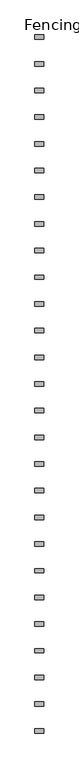
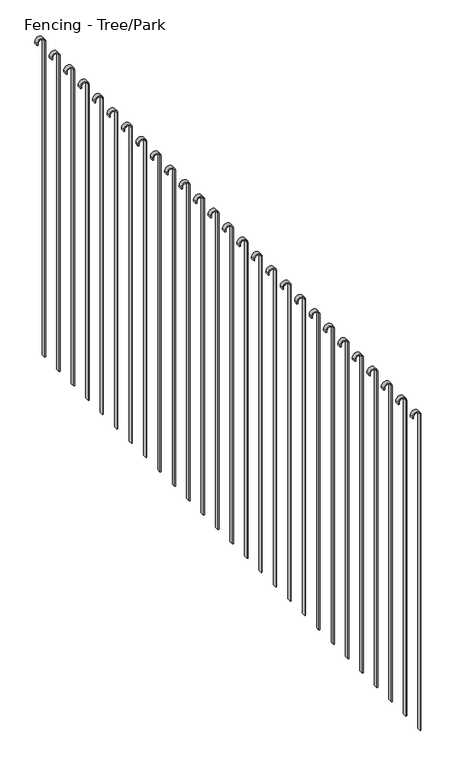
"""IFC4 building model written with IfcOpenShell, lengths in millimetres: railing geometry, Fencing - Tree/Park."""

from ifc_helpers import new_model, si_unit, point, frame, frame_2d, origin, place, context, project, spatial, polyline, circle_curve, trimmed, segment, composite_curve, outline, extrude, source, transform, mapped, element, save


def fencing_tree_park_d1533a9e(model_context):
    return source(origin(), model_context, "Body", "SweptSolid", [
        extrude(outline(composite_curve([segment(trimmed(circle_curve(frame_2d((1950.0, 5228.4077408)), 25.0), [point((1950.0, 5253.4077408))], [point((1950.0, 5203.4077408))], False, "CARTESIAN"), True, "CONTINUOUS"), segment(polyline([(1950.0, 5203.4077408), (1940.0, 5203.4077408), (1940.0, 5208.4077408), (1950.0, 5208.4077408)]), True, "CONTINUOUS"), segment(trimmed(circle_curve(frame_2d((1950.0, 5228.4077408)), 20.0), [point((1950.0, 5208.4077408))], [point((1950.0, 5248.4077408))], True, "CARTESIAN"), True, "CONTINUOUS"), segment(polyline([(1950.0, 5248.4077408), (-50.0, 5248.4077408), (-50.0, 5253.4077408), (1950.0, 5253.4077408)]), True, "CONTINUOUS")], self_intersect=False)), frame((0.0, 10276.2740332, 0.0), z_axis=(0.0, 1.0, 0.0), x_axis=(0.0, 0.0, 1.0)), (0.0, 0.0, 1.0), 25.0),
        extrude(outline(composite_curve([segment(trimmed(circle_curve(frame_2d((1950.0, 5228.4077408)), 25.0), [point((1950.0, 5253.4077408))], [point((1950.0, 5203.4077408))], False, "CARTESIAN"), True, "CONTINUOUS"), segment(polyline([(1950.0, 5203.4077408), (1940.0, 5203.4077408), (1940.0, 5208.4077408), (1950.0, 5208.4077408)]), True, "CONTINUOUS"), segment(trimmed(circle_curve(frame_2d((1950.0, 5228.4077408)), 20.0), [point((1950.0, 5208.4077408))], [point((1950.0, 5248.4077408))], True, "CARTESIAN"), True, "CONTINUOUS"), segment(polyline([(1950.0, 5248.4077408), (-50.0, 5248.4077408), (-50.0, 5253.4077408), (1950.0, 5253.4077408)]), True, "CONTINUOUS")], self_intersect=False)), frame((0.0, 10126.2740332, 0.0), z_axis=(0.0, 1.0, 0.0), x_axis=(0.0, 0.0, 1.0)), (0.0, 0.0, 1.0), 25.0),
        extrude(outline(composite_curve([segment(trimmed(circle_curve(frame_2d((1950.0, 5228.4077408)), 25.0), [point((1950.0, 5253.4077408))], [point((1950.0, 5203.4077408))], False, "CARTESIAN"), True, "CONTINUOUS"), segment(polyline([(1950.0, 5203.4077408), (1940.0, 5203.4077408), (1940.0, 5208.4077408), (1950.0, 5208.4077408)]), True, "CONTINUOUS"), segment(trimmed(circle_curve(frame_2d((1950.0, 5228.4077408)), 20.0), [point((1950.0, 5208.4077408))], [point((1950.0, 5248.4077408))], True, "CARTESIAN"), True, "CONTINUOUS"), segment(polyline([(1950.0, 5248.4077408), (-50.0, 5248.4077408), (-50.0, 5253.4077408), (1950.0, 5253.4077408)]), True, "CONTINUOUS")], self_intersect=False)), frame((0.0, 9976.2740332, 0.0), z_axis=(0.0, 1.0, 0.0), x_axis=(0.0, 0.0, 1.0)), (0.0, 0.0, 1.0), 25.0),
        extrude(outline(composite_curve([segment(trimmed(circle_curve(frame_2d((1950.0, 5228.4077408)), 25.0), [point((1950.0, 5253.4077408))], [point((1950.0, 5203.4077408))], False, "CARTESIAN"), True, "CONTINUOUS"), segment(polyline([(1950.0, 5203.4077408), (1940.0, 5203.4077408), (1940.0, 5208.4077408), (1950.0, 5208.4077408)]), True, "CONTINUOUS"), segment(trimmed(circle_curve(frame_2d((1950.0, 5228.4077408)), 20.0), [point((1950.0, 5208.4077408))], [point((1950.0, 5248.4077408))], True, "CARTESIAN"), True, "CONTINUOUS"), segment(polyline([(1950.0, 5248.4077408), (-50.0, 5248.4077408), (-50.0, 5253.4077408), (1950.0, 5253.4077408)]), True, "CONTINUOUS")], self_intersect=False)), frame((0.0, 9826.2740332, 0.0), z_axis=(0.0, 1.0, 0.0), x_axis=(0.0, 0.0, 1.0)), (0.0, 0.0, 1.0), 25.0),
        extrude(outline(composite_curve([segment(trimmed(circle_curve(frame_2d((1950.0, 5228.4077408)), 25.0), [point((1950.0, 5253.4077408))], [point((1950.0, 5203.4077408))], False, "CARTESIAN"), True, "CONTINUOUS"), segment(polyline([(1950.0, 5203.4077408), (1940.0, 5203.4077408), (1940.0, 5208.4077408), (1950.0, 5208.4077408)]), True, "CONTINUOUS"), segment(trimmed(circle_curve(frame_2d((1950.0, 5228.4077408)), 20.0), [point((1950.0, 5208.4077408))], [point((1950.0, 5248.4077408))], True, "CARTESIAN"), True, "CONTINUOUS"), segment(polyline([(1950.0, 5248.4077408), (-50.0, 5248.4077408), (-50.0, 5253.4077408), (1950.0, 5253.4077408)]), True, "CONTINUOUS")], self_intersect=False)), frame((0.0, 9676.2740332, 0.0), z_axis=(0.0, 1.0, 0.0), x_axis=(0.0, 0.0, 1.0)), (0.0, 0.0, 1.0), 25.0),
        extrude(outline(composite_curve([segment(trimmed(circle_curve(frame_2d((1950.0, 5228.4077408)), 25.0), [point((1950.0, 5253.4077408))], [point((1950.0, 5203.4077408))], False, "CARTESIAN"), True, "CONTINUOUS"), segment(polyline([(1950.0, 5203.4077408), (1940.0, 5203.4077408), (1940.0, 5208.4077408), (1950.0, 5208.4077408)]), True, "CONTINUOUS"), segment(trimmed(circle_curve(frame_2d((1950.0, 5228.4077408)), 20.0), [point((1950.0, 5208.4077408))], [point((1950.0, 5248.4077408))], True, "CARTESIAN"), True, "CONTINUOUS"), segment(polyline([(1950.0, 5248.4077408), (-50.0, 5248.4077408), (-50.0, 5253.4077408), (1950.0, 5253.4077408)]), True, "CONTINUOUS")], self_intersect=False)), frame((0.0, 9526.2740332, 0.0), z_axis=(0.0, 1.0, 0.0), x_axis=(0.0, 0.0, 1.0)), (0.0, 0.0, 1.0), 25.0),
        extrude(outline(composite_curve([segment(trimmed(circle_curve(frame_2d((1950.0, 5228.4077408)), 25.0), [point((1950.0, 5253.4077408))], [point((1950.0, 5203.4077408))], False, "CARTESIAN"), True, "CONTINUOUS"), segment(polyline([(1950.0, 5203.4077408), (1940.0, 5203.4077408), (1940.0, 5208.4077408), (1950.0, 5208.4077408)]), True, "CONTINUOUS"), segment(trimmed(circle_curve(frame_2d((1950.0, 5228.4077408)), 20.0), [point((1950.0, 5208.4077408))], [point((1950.0, 5248.4077408))], True, "CARTESIAN"), True, "CONTINUOUS"), segment(polyline([(1950.0, 5248.4077408), (-50.0, 5248.4077408), (-50.0, 5253.4077408), (1950.0, 5253.4077408)]), True, "CONTINUOUS")], self_intersect=False)), frame((0.0, 9376.2740332, 0.0), z_axis=(0.0, 1.0, 0.0), x_axis=(0.0, 0.0, 1.0)), (0.0, 0.0, 1.0), 25.0),
        extrude(outline(composite_curve([segment(trimmed(circle_curve(frame_2d((1950.0, 5228.4077408)), 25.0), [point((1950.0, 5253.4077408))], [point((1950.0, 5203.4077408))], False, "CARTESIAN"), True, "CONTINUOUS"), segment(polyline([(1950.0, 5203.4077408), (1940.0, 5203.4077408), (1940.0, 5208.4077408), (1950.0, 5208.4077408)]), True, "CONTINUOUS"), segment(trimmed(circle_curve(frame_2d((1950.0, 5228.4077408)), 20.0), [point((1950.0, 5208.4077408))], [point((1950.0, 5248.4077408))], True, "CARTESIAN"), True, "CONTINUOUS"), segment(polyline([(1950.0, 5248.4077408), (-50.0, 5248.4077408), (-50.0, 5253.4077408), (1950.0, 5253.4077408)]), True, "CONTINUOUS")], self_intersect=False)), frame((0.0, 9226.2740332, 0.0), z_axis=(0.0, 1.0, 0.0), x_axis=(0.0, 0.0, 1.0)), (0.0, 0.0, 1.0), 25.0),
        extrude(outline(composite_curve([segment(trimmed(circle_curve(frame_2d((1950.0, 5228.4077408)), 25.0), [point((1950.0, 5253.4077408))], [point((1950.0, 5203.4077408))], False, "CARTESIAN"), True, "CONTINUOUS"), segment(polyline([(1950.0, 5203.4077408), (1940.0, 5203.4077408), (1940.0, 5208.4077408), (1950.0, 5208.4077408)]), True, "CONTINUOUS"), segment(trimmed(circle_curve(frame_2d((1950.0, 5228.4077408)), 20.0), [point((1950.0, 5208.4077408))], [point((1950.0, 5248.4077408))], True, "CARTESIAN"), True, "CONTINUOUS"), segment(polyline([(1950.0, 5248.4077408), (-50.0, 5248.4077408), (-50.0, 5253.4077408), (1950.0, 5253.4077408)]), True, "CONTINUOUS")], self_intersect=False)), frame((0.0, 9076.2740332, 0.0), z_axis=(0.0, 1.0, 0.0), x_axis=(0.0, 0.0, 1.0)), (0.0, 0.0, 1.0), 25.0),
        extrude(outline(composite_curve([segment(trimmed(circle_curve(frame_2d((1950.0, 5228.4077408)), 25.0), [point((1950.0, 5253.4077408))], [point((1950.0, 5203.4077408))], False, "CARTESIAN"), True, "CONTINUOUS"), segment(polyline([(1950.0, 5203.4077408), (1940.0, 5203.4077408), (1940.0, 5208.4077408), (1950.0, 5208.4077408)]), True, "CONTINUOUS"), segment(trimmed(circle_curve(frame_2d((1950.0, 5228.4077408)), 20.0), [point((1950.0, 5208.4077408))], [point((1950.0, 5248.4077408))], True, "CARTESIAN"), True, "CONTINUOUS"), segment(polyline([(1950.0, 5248.4077408), (-50.0, 5248.4077408), (-50.0, 5253.4077408), (1950.0, 5253.4077408)]), True, "CONTINUOUS")], self_intersect=False)), frame((0.0, 8926.2740332, 0.0), z_axis=(0.0, 1.0, 0.0), x_axis=(0.0, 0.0, 1.0)), (0.0, 0.0, 1.0), 25.0),
        extrude(outline(composite_curve([segment(trimmed(circle_curve(frame_2d((1950.0, 5228.4077408)), 25.0), [point((1950.0, 5253.4077408))], [point((1950.0, 5203.4077408))], False, "CARTESIAN"), True, "CONTINUOUS"), segment(polyline([(1950.0, 5203.4077408), (1940.0, 5203.4077408), (1940.0, 5208.4077408), (1950.0, 5208.4077408)]), True, "CONTINUOUS"), segment(trimmed(circle_curve(frame_2d((1950.0, 5228.4077408)), 20.0), [point((1950.0, 5208.4077408))], [point((1950.0, 5248.4077408))], True, "CARTESIAN"), True, "CONTINUOUS"), segment(polyline([(1950.0, 5248.4077408), (-50.0, 5248.4077408), (-50.0, 5253.4077408), (1950.0, 5253.4077408)]), True, "CONTINUOUS")], self_intersect=False)), frame((0.0, 8776.2740332, 0.0), z_axis=(0.0, 1.0, 0.0), x_axis=(0.0, 0.0, 1.0)), (0.0, 0.0, 1.0), 25.0),
        extrude(outline(composite_curve([segment(trimmed(circle_curve(frame_2d((1950.0, 5228.4077408)), 25.0), [point((1950.0, 5253.4077408))], [point((1950.0, 5203.4077408))], False, "CARTESIAN"), True, "CONTINUOUS"), segment(polyline([(1950.0, 5203.4077408), (1940.0, 5203.4077408), (1940.0, 5208.4077408), (1950.0, 5208.4077408)]), True, "CONTINUOUS"), segment(trimmed(circle_curve(frame_2d((1950.0, 5228.4077408)), 20.0), [point((1950.0, 5208.4077408))], [point((1950.0, 5248.4077408))], True, "CARTESIAN"), True, "CONTINUOUS"), segment(polyline([(1950.0, 5248.4077408), (-50.0, 5248.4077408), (-50.0, 5253.4077408), (1950.0, 5253.4077408)]), True, "CONTINUOUS")], self_intersect=False)), frame((0.0, 8626.2740332, 0.0), z_axis=(0.0, 1.0, 0.0), x_axis=(0.0, 0.0, 1.0)), (0.0, 0.0, 1.0), 25.0),
        extrude(outline(composite_curve([segment(trimmed(circle_curve(frame_2d((1950.0, 5228.4077408)), 25.0), [point((1950.0, 5253.4077408))], [point((1950.0, 5203.4077408))], False, "CARTESIAN"), True, "CONTINUOUS"), segment(polyline([(1950.0, 5203.4077408), (1940.0, 5203.4077408), (1940.0, 5208.4077408), (1950.0, 5208.4077408)]), True, "CONTINUOUS"), segment(trimmed(circle_curve(frame_2d((1950.0, 5228.4077408)), 20.0), [point((1950.0, 5208.4077408))], [point((1950.0, 5248.4077408))], True, "CARTESIAN"), True, "CONTINUOUS"), segment(polyline([(1950.0, 5248.4077408), (-50.0, 5248.4077408), (-50.0, 5253.4077408), (1950.0, 5253.4077408)]), True, "CONTINUOUS")], self_intersect=False)), frame((0.0, 8476.2740332, 0.0), z_axis=(0.0, 1.0, 0.0), x_axis=(0.0, 0.0, 1.0)), (0.0, 0.0, 1.0), 25.0),
        extrude(outline(composite_curve([segment(trimmed(circle_curve(frame_2d((1950.0, 5228.4077408)), 25.0), [point((1950.0, 5253.4077408))], [point((1950.0, 5203.4077408))], False, "CARTESIAN"), True, "CONTINUOUS"), segment(polyline([(1950.0, 5203.4077408), (1940.0, 5203.4077408), (1940.0, 5208.4077408), (1950.0, 5208.4077408)]), True, "CONTINUOUS"), segment(trimmed(circle_curve(frame_2d((1950.0, 5228.4077408)), 20.0), [point((1950.0, 5208.4077408))], [point((1950.0, 5248.4077408))], True, "CARTESIAN"), True, "CONTINUOUS"), segment(polyline([(1950.0, 5248.4077408), (-50.0, 5248.4077408), (-50.0, 5253.4077408), (1950.0, 5253.4077408)]), True, "CONTINUOUS")], self_intersect=False)), frame((0.0, 8326.2740332, 0.0), z_axis=(0.0, 1.0, 0.0), x_axis=(0.0, 0.0, 1.0)), (0.0, 0.0, 1.0), 25.0),
        extrude(outline(composite_curve([segment(trimmed(circle_curve(frame_2d((1950.0, 5228.4077408)), 25.0), [point((1950.0, 5253.4077408))], [point((1950.0, 5203.4077408))], False, "CARTESIAN"), True, "CONTINUOUS"), segment(polyline([(1950.0, 5203.4077408), (1940.0, 5203.4077408), (1940.0, 5208.4077408), (1950.0, 5208.4077408)]), True, "CONTINUOUS"), segment(trimmed(circle_curve(frame_2d((1950.0, 5228.4077408)), 20.0), [point((1950.0, 5208.4077408))], [point((1950.0, 5248.4077408))], True, "CARTESIAN"), True, "CONTINUOUS"), segment(polyline([(1950.0, 5248.4077408), (-50.0, 5248.4077408), (-50.0, 5253.4077408), (1950.0, 5253.4077408)]), True, "CONTINUOUS")], self_intersect=False)), frame((0.0, 8176.2740332, 0.0), z_axis=(0.0, 1.0, 0.0), x_axis=(0.0, 0.0, 1.0)), (0.0, 0.0, 1.0), 25.0),
        extrude(outline(composite_curve([segment(trimmed(circle_curve(frame_2d((1950.0, 5228.4077408)), 25.0), [point((1950.0, 5253.4077408))], [point((1950.0, 5203.4077408))], False, "CARTESIAN"), True, "CONTINUOUS"), segment(polyline([(1950.0, 5203.4077408), (1940.0, 5203.4077408), (1940.0, 5208.4077408), (1950.0, 5208.4077408)]), True, "CONTINUOUS"), segment(trimmed(circle_curve(frame_2d((1950.0, 5228.4077408)), 20.0), [point((1950.0, 5208.4077408))], [point((1950.0, 5248.4077408))], True, "CARTESIAN"), True, "CONTINUOUS"), segment(polyline([(1950.0, 5248.4077408), (-50.0, 5248.4077408), (-50.0, 5253.4077408), (1950.0, 5253.4077408)]), True, "CONTINUOUS")], self_intersect=False)), frame((0.0, 8026.2740332, 0.0), z_axis=(0.0, 1.0, 0.0), x_axis=(0.0, 0.0, 1.0)), (0.0, 0.0, 1.0), 25.0),
        extrude(outline(composite_curve([segment(trimmed(circle_curve(frame_2d((1950.0, 5228.4077408)), 25.0), [point((1950.0, 5253.4077408))], [point((1950.0, 5203.4077408))], False, "CARTESIAN"), True, "CONTINUOUS"), segment(polyline([(1950.0, 5203.4077408), (1940.0, 5203.4077408), (1940.0, 5208.4077408), (1950.0, 5208.4077408)]), True, "CONTINUOUS"), segment(trimmed(circle_curve(frame_2d((1950.0, 5228.4077408)), 20.0), [point((1950.0, 5208.4077408))], [point((1950.0, 5248.4077408))], True, "CARTESIAN"), True, "CONTINUOUS"), segment(polyline([(1950.0, 5248.4077408), (-50.0, 5248.4077408), (-50.0, 5253.4077408), (1950.0, 5253.4077408)]), True, "CONTINUOUS")], self_intersect=False)), frame((0.0, 7876.2740332, 0.0), z_axis=(0.0, 1.0, 0.0), x_axis=(0.0, 0.0, 1.0)), (0.0, 0.0, 1.0), 25.0),
        extrude(outline(composite_curve([segment(trimmed(circle_curve(frame_2d((1950.0, 5228.4077408)), 25.0), [point((1950.0, 5253.4077408))], [point((1950.0, 5203.4077408))], False, "CARTESIAN"), True, "CONTINUOUS"), segment(polyline([(1950.0, 5203.4077408), (1940.0, 5203.4077408), (1940.0, 5208.4077408), (1950.0, 5208.4077408)]), True, "CONTINUOUS"), segment(trimmed(circle_curve(frame_2d((1950.0, 5228.4077408)), 20.0), [point((1950.0, 5208.4077408))], [point((1950.0, 5248.4077408))], True, "CARTESIAN"), True, "CONTINUOUS"), segment(polyline([(1950.0, 5248.4077408), (-50.0, 5248.4077408), (-50.0, 5253.4077408), (1950.0, 5253.4077408)]), True, "CONTINUOUS")], self_intersect=False)), frame((0.0, 7726.2740332, 0.0), z_axis=(0.0, 1.0, 0.0), x_axis=(0.0, 0.0, 1.0)), (0.0, 0.0, 1.0), 25.0),
        extrude(outline(composite_curve([segment(trimmed(circle_curve(frame_2d((1950.0, 5228.4077408)), 25.0), [point((1950.0, 5253.4077408))], [point((1950.0, 5203.4077408))], False, "CARTESIAN"), True, "CONTINUOUS"), segment(polyline([(1950.0, 5203.4077408), (1940.0, 5203.4077408), (1940.0, 5208.4077408), (1950.0, 5208.4077408)]), True, "CONTINUOUS"), segment(trimmed(circle_curve(frame_2d((1950.0, 5228.4077408)), 20.0), [point((1950.0, 5208.4077408))], [point((1950.0, 5248.4077408))], True, "CARTESIAN"), True, "CONTINUOUS"), segment(polyline([(1950.0, 5248.4077408), (-50.0, 5248.4077408), (-50.0, 5253.4077408), (1950.0, 5253.4077408)]), True, "CONTINUOUS")], self_intersect=False)), frame((0.0, 7576.2740332, 0.0), z_axis=(0.0, 1.0, 0.0), x_axis=(0.0, 0.0, 1.0)), (0.0, 0.0, 1.0), 25.0),
        extrude(outline(composite_curve([segment(trimmed(circle_curve(frame_2d((1950.0, 5228.4077408)), 25.0), [point((1950.0, 5253.4077408))], [point((1950.0, 5203.4077408))], False, "CARTESIAN"), True, "CONTINUOUS"), segment(polyline([(1950.0, 5203.4077408), (1940.0, 5203.4077408), (1940.0, 5208.4077408), (1950.0, 5208.4077408)]), True, "CONTINUOUS"), segment(trimmed(circle_curve(frame_2d((1950.0, 5228.4077408)), 20.0), [point((1950.0, 5208.4077408))], [point((1950.0, 5248.4077408))], True, "CARTESIAN"), True, "CONTINUOUS"), segment(polyline([(1950.0, 5248.4077408), (-50.0, 5248.4077408), (-50.0, 5253.4077408), (1950.0, 5253.4077408)]), True, "CONTINUOUS")], self_intersect=False)), frame((0.0, 7426.2740332, 0.0), z_axis=(0.0, 1.0, 0.0), x_axis=(0.0, 0.0, 1.0)), (0.0, 0.0, 1.0), 25.0),
        extrude(outline(composite_curve([segment(trimmed(circle_curve(frame_2d((1950.0, 5228.4077408)), 25.0), [point((1950.0, 5253.4077408))], [point((1950.0, 5203.4077408))], False, "CARTESIAN"), True, "CONTINUOUS"), segment(polyline([(1950.0, 5203.4077408), (1940.0, 5203.4077408), (1940.0, 5208.4077408), (1950.0, 5208.4077408)]), True, "CONTINUOUS"), segment(trimmed(circle_curve(frame_2d((1950.0, 5228.4077408)), 20.0), [point((1950.0, 5208.4077408))], [point((1950.0, 5248.4077408))], True, "CARTESIAN"), True, "CONTINUOUS"), segment(polyline([(1950.0, 5248.4077408), (-50.0, 5248.4077408), (-50.0, 5253.4077408), (1950.0, 5253.4077408)]), True, "CONTINUOUS")], self_intersect=False)), frame((0.0, 7276.2740332, 0.0), z_axis=(0.0, 1.0, 0.0), x_axis=(0.0, 0.0, 1.0)), (0.0, 0.0, 1.0), 25.0),
        extrude(outline(composite_curve([segment(trimmed(circle_curve(frame_2d((1950.0, 5228.4077408)), 25.0), [point((1950.0, 5253.4077408))], [point((1950.0, 5203.4077408))], False, "CARTESIAN"), True, "CONTINUOUS"), segment(polyline([(1950.0, 5203.4077408), (1940.0, 5203.4077408), (1940.0, 5208.4077408), (1950.0, 5208.4077408)]), True, "CONTINUOUS"), segment(trimmed(circle_curve(frame_2d((1950.0, 5228.4077408)), 20.0), [point((1950.0, 5208.4077408))], [point((1950.0, 5248.4077408))], True, "CARTESIAN"), True, "CONTINUOUS"), segment(polyline([(1950.0, 5248.4077408), (-50.0, 5248.4077408), (-50.0, 5253.4077408), (1950.0, 5253.4077408)]), True, "CONTINUOUS")], self_intersect=False)), frame((0.0, 7126.2740332, 0.0), z_axis=(0.0, 1.0, 0.0), x_axis=(0.0, 0.0, 1.0)), (0.0, 0.0, 1.0), 25.0),
        extrude(outline(composite_curve([segment(trimmed(circle_curve(frame_2d((1950.0, 5228.4077408)), 25.0), [point((1950.0, 5253.4077408))], [point((1950.0, 5203.4077408))], False, "CARTESIAN"), True, "CONTINUOUS"), segment(polyline([(1950.0, 5203.4077408), (1940.0, 5203.4077408), (1940.0, 5208.4077408), (1950.0, 5208.4077408)]), True, "CONTINUOUS"), segment(trimmed(circle_curve(frame_2d((1950.0, 5228.4077408)), 20.0), [point((1950.0, 5208.4077408))], [point((1950.0, 5248.4077408))], True, "CARTESIAN"), True, "CONTINUOUS"), segment(polyline([(1950.0, 5248.4077408), (-50.0, 5248.4077408), (-50.0, 5253.4077408), (1950.0, 5253.4077408)]), True, "CONTINUOUS")], self_intersect=False)), frame((0.0, 6976.2740332, 0.0), z_axis=(0.0, 1.0, 0.0), x_axis=(0.0, 0.0, 1.0)), (0.0, 0.0, 1.0), 25.0),
        extrude(outline(composite_curve([segment(trimmed(circle_curve(frame_2d((1950.0, 5228.4077408)), 25.0), [point((1950.0, 5253.4077408))], [point((1950.0, 5203.4077408))], False, "CARTESIAN"), True, "CONTINUOUS"), segment(polyline([(1950.0, 5203.4077408), (1940.0, 5203.4077408), (1940.0, 5208.4077408), (1950.0, 5208.4077408)]), True, "CONTINUOUS"), segment(trimmed(circle_curve(frame_2d((1950.0, 5228.4077408)), 20.0), [point((1950.0, 5208.4077408))], [point((1950.0, 5248.4077408))], True, "CARTESIAN"), True, "CONTINUOUS"), segment(polyline([(1950.0, 5248.4077408), (-50.0, 5248.4077408), (-50.0, 5253.4077408), (1950.0, 5253.4077408)]), True, "CONTINUOUS")], self_intersect=False)), frame((0.0, 6826.2740332, 0.0), z_axis=(0.0, 1.0, 0.0), x_axis=(0.0, 0.0, 1.0)), (0.0, 0.0, 1.0), 25.0),
        extrude(outline(composite_curve([segment(trimmed(circle_curve(frame_2d((1950.0, 5228.4077408)), 25.0), [point((1950.0, 5253.4077408))], [point((1950.0, 5203.4077408))], False, "CARTESIAN"), True, "CONTINUOUS"), segment(polyline([(1950.0, 5203.4077408), (1940.0, 5203.4077408), (1940.0, 5208.4077408), (1950.0, 5208.4077408)]), True, "CONTINUOUS"), segment(trimmed(circle_curve(frame_2d((1950.0, 5228.4077408)), 20.0), [point((1950.0, 5208.4077408))], [point((1950.0, 5248.4077408))], True, "CARTESIAN"), True, "CONTINUOUS"), segment(polyline([(1950.0, 5248.4077408), (-50.0, 5248.4077408), (-50.0, 5253.4077408), (1950.0, 5253.4077408)]), True, "CONTINUOUS")], self_intersect=False)), frame((0.0, 6676.2740332, 0.0), z_axis=(0.0, 1.0, 0.0), x_axis=(0.0, 0.0, 1.0)), (0.0, 0.0, 1.0), 25.0),
        extrude(outline(composite_curve([segment(trimmed(circle_curve(frame_2d((1950.0, 5228.4077408)), 25.0), [point((1950.0, 5253.4077408))], [point((1950.0, 5203.4077408))], False, "CARTESIAN"), True, "CONTINUOUS"), segment(polyline([(1950.0, 5203.4077408), (1940.0, 5203.4077408), (1940.0, 5208.4077408), (1950.0, 5208.4077408)]), True, "CONTINUOUS"), segment(trimmed(circle_curve(frame_2d((1950.0, 5228.4077408)), 20.0), [point((1950.0, 5208.4077408))], [point((1950.0, 5248.4077408))], True, "CARTESIAN"), True, "CONTINUOUS"), segment(polyline([(1950.0, 5248.4077408), (-50.0, 5248.4077408), (-50.0, 5253.4077408), (1950.0, 5253.4077408)]), True, "CONTINUOUS")], self_intersect=False)), frame((0.0, 6526.2740332, 0.0), z_axis=(0.0, 1.0, 0.0), x_axis=(0.0, 0.0, 1.0)), (0.0, 0.0, 1.0), 25.0),
        extrude(outline(composite_curve([segment(trimmed(circle_curve(frame_2d((1950.0, 5228.4077408)), 25.0), [point((1950.0, 5253.4077408))], [point((1950.0, 5203.4077408))], False, "CARTESIAN"), True, "CONTINUOUS"), segment(polyline([(1950.0, 5203.4077408), (1940.0, 5203.4077408), (1940.0, 5208.4077408), (1950.0, 5208.4077408)]), True, "CONTINUOUS"), segment(trimmed(circle_curve(frame_2d((1950.0, 5228.4077408)), 20.0), [point((1950.0, 5208.4077408))], [point((1950.0, 5248.4077408))], True, "CARTESIAN"), True, "CONTINUOUS"), segment(polyline([(1950.0, 5248.4077408), (-50.0, 5248.4077408), (-50.0, 5253.4077408), (1950.0, 5253.4077408)]), True, "CONTINUOUS")], self_intersect=False)), frame((0.0, 6376.2740332, 0.0), z_axis=(0.0, 1.0, 0.0), x_axis=(0.0, 0.0, 1.0)), (0.0, 0.0, 1.0), 25.0),
    ])


if __name__ == "__main__":
    model = new_model("IFC4")
    model_context = context("Model", 3, world=origin())
    ifc_project = project(units=[si_unit("LENGTHUNIT", "METRE", prefix="MILLI")], contexts=[model_context])
    site = spatial("IfcSite", under=ifc_project)
    building = spatial("IfcBuilding", under=site)
    placement = place(None, origin())
    fencing_tree_park_shape = fencing_tree_park_d1533a9e(model_context)
    element("IfcRailing", 1, ObjectType="Fencing - Tree/Park", at=placement, inside=building, context=model_context, shape_type="MappedRepresentation", body=[
        mapped(fencing_tree_park_shape, transform((0.0, 0.0, 0.0), x_axis=(1.0, 0.0, 0.0), y_axis=(0.0, 1.0, 0.0), z_axis=(0.0, 0.0, 1.0))),
    ])
    save(model, "model.ifc")
